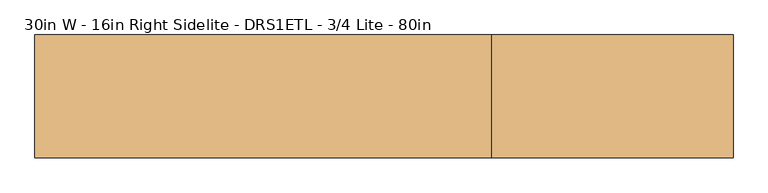
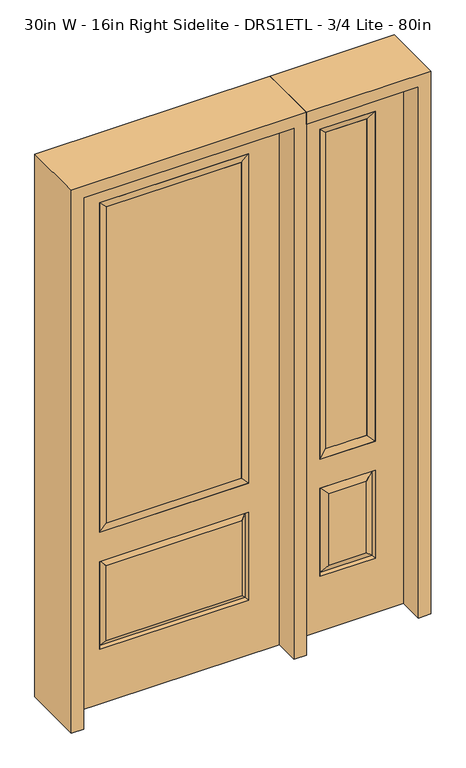
"""IFC4 building model written with IfcOpenShell, lengths in millimetres: door geometry, 30in W - 16in Right Sidelite - DRS1ETL - 3/4 Lite - 80in."""

from ifc_helpers import new_model, si_unit, frame, origin, place, context, project, spatial, polyline, outline, extrude, faceted_brep, source, transform, mapped, element, save


def door_30in_w_16in_right_sidelite_drs1etl_3_4_lite_80in_d333917b(model_context):
    return source(origin(), model_context, "Body", "SolidModel", [
        faceted_brep([(425.45, -22.225, 0.0), (831.85, -22.225, 0.0), (831.85, -22.225, 2032.0), (425.45, -22.225, 2032.0), (728.98, -22.225, 1919.224), (728.98, -22.225, 657.098), (528.32, -22.225, 657.098), (528.32, -22.225, 1919.224), (728.98, -22.225, 209.55), (528.32, -22.225, 209.55), (528.32, -22.225, 546.1), (728.98, -22.225, 546.1), (560.0351001, -22.225, 241.2651001), (697.2648999, -22.225, 241.2651001), (697.2648999, -22.225, 514.3848999), (560.0351001, -22.225, 514.3848999), (425.45, 22.225, 0.0), (425.45, 22.225, 2032.0), (831.85, 22.225, 2032.0), (831.85, 22.225, 0.0), (728.98, 22.225, 1919.224), (528.32, 22.225, 1919.224), (528.32, 22.225, 657.098), (728.98, 22.225, 657.098), (528.32, 22.225, 209.55), (728.98, 22.225, 209.55), (728.98, 22.225, 546.1), (528.32, 22.225, 546.1), (697.2648999, 22.225, 241.2651001), (560.0351001, 22.225, 241.2651001), (560.0351001, 22.225, 514.3848999), (697.2648999, 22.225, 514.3848999), (721.8711499, 12.7912373, 216.6588501), (535.4288501, 12.7912373, 216.6588501), (535.4288501, 12.7912373, 538.9911499), (721.8711499, 12.7912373, 538.9911499), (535.4288501, -12.7912373, 216.6588501), (721.8711499, -12.7912373, 216.6588501), (535.4288501, -12.7912373, 538.9911499), (721.8711499, -12.7912373, 538.9911499)], [[[0, 1, 2, 3], [4, 5, 6, 7], [8, 9, 10, 11]], [[12, 13, 14, 15]], [[16, 17, 18, 19], [20, 21, 22, 23], [24, 25, 26, 27]], [[28, 29, 30, 31]], [[1, 0, 16, 19]], [[2, 1, 19, 18]], [[3, 2, 18, 17]], [[0, 3, 17, 16]], [[5, 4, 20, 23]], [[6, 5, 23, 22]], [[7, 6, 22, 21]], [[4, 7, 21, 20]], [[32, 33, 29, 28]], [[33, 32, 25, 24]], [[29, 33, 34, 30]], [[33, 24, 27, 34]], [[30, 34, 35, 31]], [[34, 27, 26, 35]], [[32, 28, 31, 35]], [[25, 32, 35, 26]], [[12, 36, 37, 13]], [[37, 36, 9, 8]], [[36, 12, 15, 38]], [[9, 36, 38, 10]], [[38, 15, 14, 39]], [[10, 38, 39, 11]], [[13, 37, 39, 14]], [[37, 8, 11, 39]]]),
        faceted_brep([(528.32, 22.225, 1919.224), (528.32, -22.225, 1919.224), (728.98, -22.225, 1919.224), (728.98, 22.225, 1919.224), (553.72, 12.7, 1893.824), (703.58, 12.7, 1893.824), (553.72, -12.7, 1893.824), (703.58, -12.7, 1893.824), (728.98, -22.225, 657.098), (728.98, 22.225, 657.098), (703.58, 12.7, 682.498), (703.58, -12.7, 682.498), (528.32, -22.225, 657.098), (528.32, 22.225, 657.098), (553.72, 12.7, 682.498), (553.72, -12.7, 682.498)], [[[0, 1, 2, 3]], [[4, 0, 3, 5]], [[6, 4, 5, 7]], [[1, 6, 7, 2]], [[3, 2, 8, 9]], [[5, 3, 9, 10]], [[7, 5, 10, 11]], [[2, 7, 11, 8]], [[9, 8, 12, 13]], [[10, 9, 13, 14]], [[11, 10, 14, 15]], [[8, 11, 15, 12]], [[13, 12, 1, 0]], [[14, 13, 0, 4]], [[15, 14, 4, 6]], [[12, 15, 6, 1]]]),
        extrude(outline(polyline([(703.58, -12.7), (553.72, -12.7), (553.72, 12.7), (703.58, 12.7), (703.58, -12.7)])), frame((0.0, 0.0, 682.498), z_axis=(0.0, 0.0, 1.0), x_axis=(1.0, 0.0, 0.0)), (0.0, 0.0, 1.0), 1211.326),
        faceted_brep([(-262.7661499, -12.7912373, 216.6588501), (262.7661499, -12.7912373, 216.6588501), (245.26875, -22.225, 234.15625), (-245.26875, -22.225, 234.15625), (-269.875, -22.225, 209.55), (269.875, -22.225, 209.55), (-262.7661499, -12.7912373, 538.9911499), (-269.875, -22.225, 546.1), (245.26875, -22.225, 521.49375), (-245.26875, -22.225, 521.49375), (381.0, -22.225, 2032.0), (-381.0, -22.225, 2032.0), (-381.0, -22.225, 0.0), (381.0, -22.225, 0.0), (269.875, -22.225, 546.1), (269.875, -22.225, 1917.7), (269.875, -22.225, 657.098), (-269.875, -22.225, 657.098), (-269.875, -22.225, 1917.7), (262.7661499, -12.7912373, 538.9911499), (-381.0, 22.225, 2032.0), (-381.0, 22.225, 0.0), (381.0, 22.225, 0.0), (381.0, 22.225, 2032.0), (269.875, 22.225, 1917.7), (269.875, 22.225, 657.098), (-269.875, 22.225, 657.098), (-269.875, 22.225, 1917.7), (-269.875, 22.225, 209.55), (269.875, 22.225, 209.55), (269.875, 22.225, 546.1), (-269.875, 22.225, 546.1), (245.26875, 22.225, 234.15625), (-245.26875, 22.225, 234.15625), (-245.26875, 22.225, 521.49375), (245.26875, 22.225, 521.49375), (-262.7661499, 12.7912373, 216.6588501), (262.7661499, 12.7912373, 216.6588501), (262.7661499, 12.7912373, 538.9911499), (-262.7661499, 12.7912373, 538.9911499)], [[[0, 1, 2, 3]], [[1, 0, 4, 5]], [[4, 0, 6, 7]], [[3, 2, 8, 9]], [[10, 11, 12, 13], [5, 4, 7, 14], [15, 16, 17, 18]], [[1, 5, 14, 19]], [[2, 1, 19, 8]], [[0, 3, 9, 6]], [[7, 6, 19, 14]], [[6, 9, 8, 19]], [[12, 11, 20, 21]], [[13, 12, 21, 22]], [[10, 13, 22, 23]], [[16, 15, 24, 25]], [[17, 16, 25, 26]], [[18, 17, 26, 27]], [[23, 22, 21, 20], [28, 29, 30, 31], [24, 27, 26, 25]], [[32, 33, 34, 35]], [[28, 36, 37, 29]], [[29, 37, 38, 30]], [[39, 31, 30, 38]], [[36, 28, 31, 39]], [[37, 36, 33, 32]], [[33, 36, 39, 34]], [[34, 39, 38, 35]], [[37, 32, 35, 38]], [[11, 10, 23, 20]], [[15, 18, 27, 24]]]),
        faceted_brep([(-269.875, -22.225, 1917.7), (-269.875, 22.225, 1917.7), (-269.875, 22.225, 657.098), (-269.875, -22.225, 657.098), (269.875, 22.225, 657.098), (269.875, -22.225, 657.098), (-244.475, 5.08, 682.498), (244.475, 5.08, 682.498), (269.875, 22.225, 1917.7), (269.875, -22.225, 1917.7), (-244.475, -20.32, 682.498), (244.475, -20.32, 682.498), (-244.475, -20.32, 1892.3), (244.475, -20.32, 1892.3), (-244.475, 5.08, 1892.3), (244.475, 5.08, 1892.3)], [[[0, 1, 2, 3]], [[3, 2, 4, 5]], [[2, 6, 7, 4]], [[5, 4, 8, 9]], [[10, 3, 5, 11]], [[12, 0, 3, 10]], [[11, 5, 9, 13]], [[6, 10, 11, 7]], [[14, 12, 10, 6]], [[7, 11, 13, 15]], [[1, 14, 6, 2]], [[4, 7, 15, 8]], [[9, 8, 1, 0]], [[13, 9, 0, 12]], [[15, 13, 12, 14]], [[8, 15, 14, 1]]]),
        extrude(outline(polyline([(244.475, -20.32), (-244.475, -20.32), (-244.475, 5.08), (244.475, 5.08), (244.475, -20.32)])), frame((0.0, 0.0, 682.498), z_axis=(0.0, 0.0, 1.0), x_axis=(1.0, 0.0, 0.0)), (0.0, 0.0, 1.0), 1209.802),
        extrude(outline(polyline([(2076.45, -425.45), (0.0, -425.45), (0.0, -381.0), (2032.0, -381.0), (2032.0, 381.0), (0.0, 381.0), (0.0, 425.45), (2076.45, 425.45), (2076.45, -425.45)])), frame((0.0, -114.3, 0.0), z_axis=(0.0, 1.0, 0.0), x_axis=(0.0, 0.0, 1.0)), (0.0, 0.0, 1.0), 228.6),
        extrude(outline(polyline([(0.0, 831.85), (0.0, 876.3), (2076.45, 876.3), (2076.45, 425.45), (2032.0, 425.45), (2032.0, 831.85), (0.0, 831.85)])), frame((0.0, -114.3, 0.0), z_axis=(0.0, 1.0, 0.0), x_axis=(0.0, 0.0, 1.0)), (0.0, 0.0, 1.0), 228.6),
    ])


if __name__ == "__main__":
    model = new_model("IFC4")
    model_context = context("Model", 3, world=origin())
    ifc_project = project(units=[si_unit("LENGTHUNIT", "METRE", prefix="MILLI")], contexts=[model_context])
    site = spatial("IfcSite", under=ifc_project)
    building = spatial("IfcBuilding", under=site)
    placement = place(None, origin())
    door_30in_w_16in_right_sidelite_drs1etl_3_4_lite_80in_shape = door_30in_w_16in_right_sidelite_drs1etl_3_4_lite_80in_d333917b(model_context)
    element("IfcDoor", 1, ObjectType="30in W - 16in Right Sidelite - DRS1ETL - 3/4 Lite - 80in", at=placement, inside=building, context=model_context, shape_type="MappedRepresentation", body=[
        mapped(door_30in_w_16in_right_sidelite_drs1etl_3_4_lite_80in_shape, transform((0.0, 0.0, 0.0), x_axis=(1.0, 0.0, 0.0), y_axis=(0.0, 1.0, 0.0), z_axis=(0.0, 0.0, 1.0))),
    ])
    save(model, "model.ifc")
